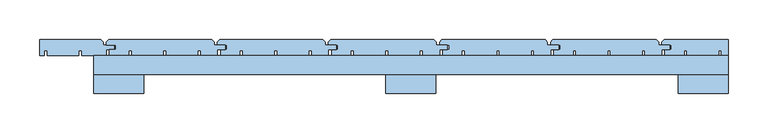
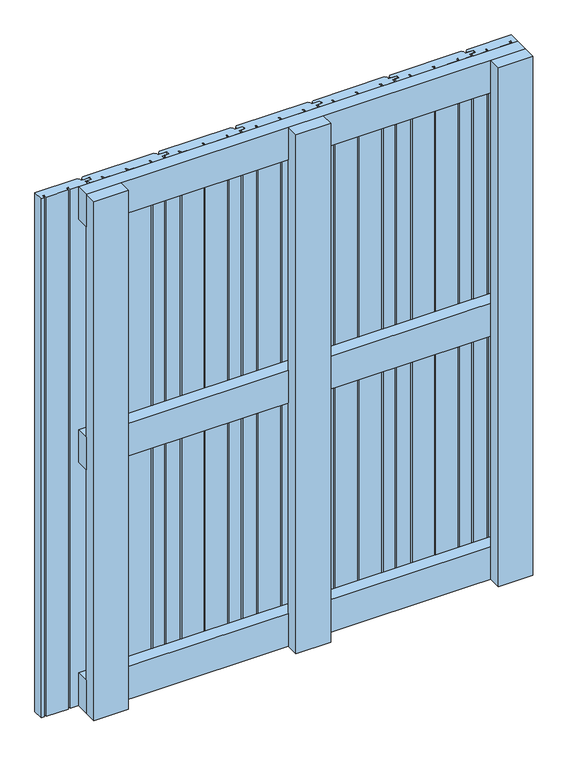
"""IFC4 building model written with IfcOpenShell, lengths in millimetres: window geometry."""

from ifc_helpers import new_model, si_unit, frame, origin, place, context, project, spatial, polyline, outline, extrude, source, transform, mapped, element, save


def window_9a4a03fa(model_context):
    return source(origin(), model_context, "Body", "SweptSolid", [
        extrude(outline(polyline([(400.0, 60.1), (400.0, 36.1), (-400.0, 36.1), (-400.0, 60.1), (400.0, 60.1)])), frame((0.0, 0.0, 568.5), z_axis=(0.0, 0.0, 1.0), x_axis=(1.0, 0.0, 0.0)), (0.0, 0.0, 1.0), 63.0),
        extrude(outline(polyline([(400.0, 60.0), (400.0, 36.0), (-400.0, 36.0), (-400.0, 60.0), (400.0, 60.0)])), frame((0.0, 0.0, 1037.0), z_axis=(0.0, 0.0, 1.0), x_axis=(1.0, 0.0, 0.0)), (0.0, 0.0, 1.0), 63.0),
        extrude(outline(polyline([(400.0, 60.0), (400.0, 36.0), (-400.0, 36.0), (-400.0, 60.0), (400.0, 60.0)])), frame((0.0, 0.0, 100.0), z_axis=(0.0, 0.0, 1.0), x_axis=(1.0, 0.0, 0.0)), (0.0, 0.0, 1.0), 63.0),
        extrude(outline(polyline([(-381.0, 80.0), (-251.0, 80.0), (-248.0, 77.0), (-248.0, 73.0), (-234.0, 73.0), (-234.0, 67.0), (-244.0, 67.0), (-244.0, 60.0), (-265.1278597, 60.0), (-265.1278597, 66.0), (-268.6278597, 66.0), (-268.6278597, 60.0), (-308.6889298, 60.0), (-308.6889298, 66.0), (-312.1889298, 66.0), (-312.1889298, 60.0), (-352.25, 60.0), (-352.25, 66.0), (-355.75, 66.0), (-355.75, 60.0), (-380.0, 60.0), (-380.0, 67.0), (-372.0, 67.0), (-372.0, 73.0), (-384.0, 73.0), (-384.0, 77.0), (-381.0, 80.0)])), frame((0.0, 0.0, 100.0), z_axis=(0.0, 0.0, 1.0), x_axis=(1.0, 0.0, 0.0)), (0.0, 0.0, 1.0), 1000.0),
        extrude(outline(polyline([(-241.0, 80.0), (-111.0, 80.0), (-108.0, 77.0), (-108.0, 73.0), (-94.0, 73.0), (-94.0, 67.0), (-104.0, 67.0), (-104.0, 60.0), (-125.1278597, 60.0), (-125.1278597, 66.0), (-128.6278597, 66.0), (-128.6278597, 60.0), (-168.6889298, 60.0), (-168.6889298, 66.0), (-172.1889298, 66.0), (-172.1889298, 60.0), (-212.25, 60.0), (-212.25, 66.0), (-215.75, 66.0), (-215.75, 60.0), (-240.0, 60.0), (-240.0, 67.0), (-232.0, 67.0), (-232.0, 73.0), (-244.0, 73.0), (-244.0, 77.0), (-241.0, 80.0)])), frame((0.0, 0.0, 100.0), z_axis=(0.0, 0.0, 1.0), x_axis=(1.0, 0.0, 0.0)), (0.0, 0.0, 1.0), 1000.0),
        extrude(outline(polyline([(-101.0, 80.0), (29.0, 80.0), (32.0, 77.0), (32.0, 73.0), (46.0, 73.0), (46.0, 67.0), (36.0, 67.0), (36.0, 60.0), (14.8721403, 60.0), (14.8721403, 66.0), (11.3721403, 66.0), (11.3721403, 60.0), (-28.6889298, 60.0), (-28.6889298, 66.0), (-32.1889298, 66.0), (-32.1889298, 60.0), (-72.25, 60.0), (-72.25, 66.0), (-75.75, 66.0), (-75.75, 60.0), (-100.0, 60.0), (-100.0, 67.0), (-92.0, 67.0), (-92.0, 73.0), (-104.0, 73.0), (-104.0, 77.0), (-101.0, 80.0)])), frame((0.0, 0.0, 100.0), z_axis=(0.0, 0.0, 1.0), x_axis=(1.0, 0.0, 0.0)), (0.0, 0.0, 1.0), 1000.0),
        extrude(outline(polyline([(39.0, 80.0), (169.0, 80.0), (172.0, 77.0), (172.0, 73.0), (186.0, 73.0), (186.0, 67.0), (176.0, 67.0), (176.0, 60.0), (154.8721403, 60.0), (154.8721403, 66.0), (151.3721403, 66.0), (151.3721403, 60.0), (111.3110702, 60.0), (111.3110702, 66.0), (107.8110702, 66.0), (107.8110702, 60.0), (67.75, 60.0), (67.75, 66.0), (64.25, 66.0), (64.25, 60.0), (40.0, 60.0), (40.0, 67.0), (48.0, 67.0), (48.0, 73.0), (36.0, 73.0), (36.0, 77.0), (39.0, 80.0)])), frame((0.0, 0.0, 100.0), z_axis=(0.0, 0.0, 1.0), x_axis=(1.0, 0.0, 0.0)), (0.0, 0.0, 1.0), 1000.0),
        extrude(outline(polyline([(179.0, 80.0), (309.0, 80.0), (312.0, 77.0), (312.0, 73.0), (326.0, 73.0), (326.0, 67.0), (316.0, 67.0), (316.0, 60.0), (294.8721403, 60.0), (294.8721403, 66.0), (291.3721403, 66.0), (291.3721403, 60.0), (251.3110702, 60.0), (251.3110702, 66.0), (247.8110702, 66.0), (247.8110702, 60.0), (207.75, 60.0), (207.75, 66.0), (204.25, 66.0), (204.25, 60.0), (180.0, 60.0), (180.0, 67.0), (188.0, 67.0), (188.0, 73.0), (176.0, 73.0), (176.0, 77.0), (179.0, 80.0)])), frame((0.0, 0.0, 100.0), z_axis=(0.0, 0.0, 1.0), x_axis=(1.0, 0.0, 0.0)), (0.0, 0.0, 1.0), 1000.0),
        extrude(outline(polyline([(-468.0, 80.0), (-391.0, 80.0), (-388.0, 77.0), (-388.0, 73.0), (-374.0, 73.0), (-374.0, 67.0), (-384.0, 67.0), (-384.0, 60.0), (-415.1278597, 60.0), (-415.1278597, 66.0), (-418.6278597, 66.0), (-418.6278597, 60.0), (-458.6889298, 60.0), (-458.6889298, 66.0), (-462.1889298, 66.0), (-462.1889298, 60.0), (-468.0, 60.0), (-468.0, 80.0)])), frame((0.0, 0.0, 100.0), z_axis=(0.0, 0.0, 1.0), x_axis=(1.0, 0.0, 0.0)), (0.0, 0.0, 1.0), 1000.0),
        extrude(outline(polyline([(319.0, 80.0), (400.0, 80.0), (400.0, 60.0), (391.3110702, 60.0), (391.3110702, 66.0), (387.8110702, 66.0), (387.8110702, 60.0), (347.75, 60.0), (347.75, 66.0), (344.25, 66.0), (344.25, 60.0), (320.0, 60.0), (320.0, 67.0), (328.0, 67.0), (328.0, 73.0), (316.0, 73.0), (316.0, 77.0), (319.0, 80.0)])), frame((0.0, 0.0, 100.0), z_axis=(0.0, 0.0, 1.0), x_axis=(1.0, 0.0, 0.0)), (0.0, 0.0, 1.0), 1000.0),
        extrude(outline(polyline([(-31.5, 36.1), (31.5, 36.1), (31.5, 12.1), (-31.5, 12.1), (-31.5, 36.1)])), frame((0.0, 0.0, 100.0), z_axis=(0.0, 0.0, 1.0), x_axis=(1.0, 0.0, 0.0)), (0.0, 0.0, 1.0), 1000.0),
        extrude(outline(polyline([(-400.0, 36.0), (-337.0, 36.0), (-337.0, 12.0), (-400.0, 12.0), (-400.0, 36.0)])), frame((0.0, 0.0, 100.0), z_axis=(0.0, 0.0, 1.0), x_axis=(1.0, 0.0, 0.0)), (0.0, 0.0, 1.0), 1000.0),
        extrude(outline(polyline([(337.0, 36.0), (400.0, 36.0), (400.0, 12.0), (337.0, 12.0), (337.0, 36.0)])), frame((0.0, 0.0, 100.0), z_axis=(0.0, 0.0, 1.0), x_axis=(1.0, 0.0, 0.0)), (0.0, 0.0, 1.0), 1000.0),
    ])


if __name__ == "__main__":
    model = new_model("IFC4")
    model_context = context("Model", 3, world=origin())
    ifc_project = project(units=[si_unit("LENGTHUNIT", "METRE", prefix="MILLI")], contexts=[model_context])
    site = spatial("IfcSite", under=ifc_project)
    building = spatial("IfcBuilding", under=site)
    placement = place(None, origin())
    window_shape = window_9a4a03fa(model_context)
    element("IfcWindow", 1, at=placement, inside=building, context=model_context, shape_type="MappedRepresentation", body=[
        mapped(window_shape, transform((0.0, 0.0, 0.0), x_axis=(1.0, 0.0, 0.0), y_axis=(0.0, 1.0, 0.0), z_axis=(0.0, 0.0, 1.0))),
    ])
    save(model, "model.ifc")
